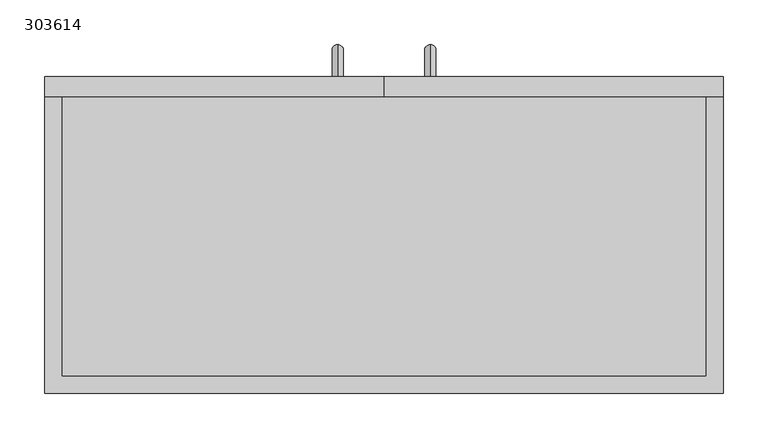
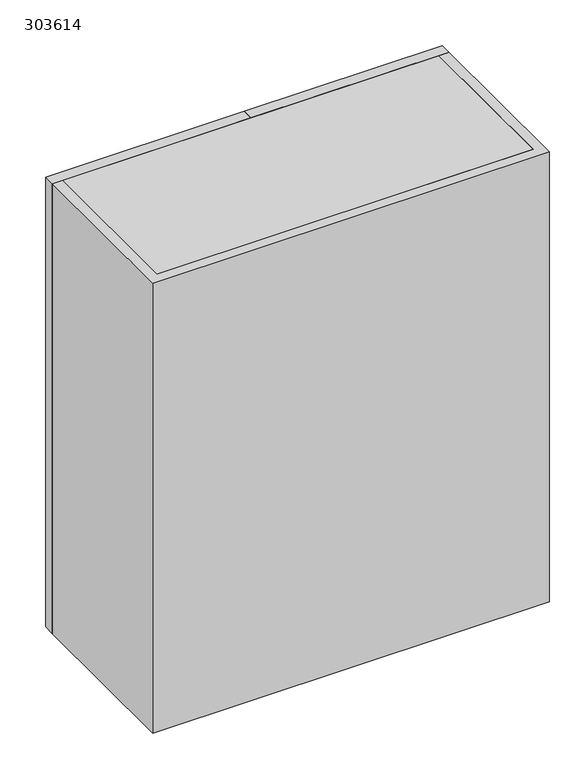
"""IFC4 building model written with IfcOpenShell, lengths in millimetres: furniture geometry, 303614."""

from ifc_helpers import new_model, si_unit, frame, origin, place, context, project, spatial, polyline, circle_curve, ellipse_curve, outline, extrude, source, transform, mapped, element, save
from ifc_brep_helpers import plane_surface, cylinder_surface, advanced_brep


def furniture_303614_3b5914ed(model_context):
    return source(origin(), model_context, "Body", "SolidModel", [
        extrude(outline(polyline([(381.0, 397.1), (0.0, 397.1), (0.0, 419.1), (381.0, 419.1), (381.0, 397.1)])), frame((0.0, 0.0, 1219.2), z_axis=(0.0, 0.0, 1.0), x_axis=(1.0, 0.0, 0.0)), (0.0, 0.0, 1.0), 914.4),
        extrude(outline(polyline([(0.0, 397.1), (-381.0, 397.1), (-381.0, 419.1), (0.0, 419.1), (0.0, 397.1)])), frame((0.0, 0.0, 1219.2), z_axis=(0.0, 0.0, 1.0), x_axis=(1.0, 0.0, 0.0)), (0.0, 0.0, 1.0), 914.4),
        extrude(outline(polyline([(361.8, 397.1), (381.0, 397.1), (381.0, 63.5), (-381.0, 63.5), (-381.0, 397.1), (-361.8, 397.1), (-361.8, 82.7), (361.8, 82.7), (361.8, 397.1)])), frame((0.0, 0.0, 1219.2), z_axis=(0.0, 0.0, 1.0), x_axis=(1.0, 0.0, 0.0)), (0.0, 0.0, 1.0), 914.4),
        extrude(outline(polyline([(361.8, 82.7), (-361.8, 82.7), (-361.8, 397.1), (361.8, 397.1), (361.8, 82.7)])), frame((0.0, 0.0, 1816.2666667), z_axis=(0.0, 0.0, 1.0), x_axis=(1.0, 0.0, 0.0)), (0.0, 0.0, 1.0), 19.2),
        extrude(outline(polyline([(361.8, 82.7), (-361.8, 82.7), (-361.8, 397.1), (361.8, 397.1), (361.8, 82.7)])), frame((0.0, 0.0, 1518.1333333), z_axis=(0.0, 0.0, 1.0), x_axis=(1.0, 0.0, 0.0)), (0.0, 0.0, 1.0), 19.2),
        advanced_brep(
        [(-52.0, 419.1, 1337.55), (-52.0, 419.1, 1324.85), (-52.0, 442.75, 1337.55), (-52.0, 455.45, 1324.85), (-52.0, 442.75, 1452.85), (-52.0, 455.45, 1465.55), (-52.0, 419.1, 1452.85), (-52.0, 419.1, 1465.55)],
        [
            (0, 1, circle_curve(frame((-52.0, 419.1, 1331.2), z_axis=(0.0, -1.0, 0.0), x_axis=(0.0, 0.0, -1.0)), 6.35)),
            (1, 0, circle_curve(frame((-52.0, 419.1, 1331.2), z_axis=(0.0, -1.0, 0.0), x_axis=(0.0, 0.0, -1.0)), 6.35)),
            (0, 2),
            (2, 3, ellipse_curve(frame((-52.0, 449.1, 1331.2), z_axis=(0.0, -0.7071067811865475, -0.7071067811865475), x_axis=(0.0, -0.7071067811865476, 0.7071067811865474)), 8.9802561, 6.35)),
            (3, 1),
            (3, 2, ellipse_curve(frame((-52.0, 449.1, 1331.2), z_axis=(0.0, -0.7071067811865475, -0.7071067811865475), x_axis=(0.0, -0.7071067811865476, 0.7071067811865474)), 8.9802561, 6.35)),
            (2, 4),
            (4, 5, ellipse_curve(frame((-52.0, 449.1, 1459.2), z_axis=(0.0, 0.7071067811865475, -0.7071067811865475), x_axis=(0.0, -0.7071067811865474, -0.7071067811865476)), 8.9802561, 6.35)),
            (5, 3),
            (5, 4, ellipse_curve(frame((-52.0, 449.1, 1459.2), z_axis=(0.0, 0.7071067811865475, -0.7071067811865475), x_axis=(0.0, -0.7071067811865474, -0.7071067811865476)), 8.9802561, 6.35)),
            (6, 7, circle_curve(frame((-52.0, 419.1, 1459.2), z_axis=(0.0, -1.0, 0.0), x_axis=(0.0, 0.0, 1.0)), 6.35)),
            (7, 6, circle_curve(frame((-52.0, 419.1, 1459.2), z_axis=(0.0, -1.0, 0.0), x_axis=(0.0, 0.0, 1.0)), 6.35)),
            (4, 6),
            (7, 5),
        ],
        [
            plane_surface(frame((-52.0, 419.1, 1331.2), z_axis=(0.0, -1.0, 0.0), x_axis=(-1.0, 0.0, 0.0))),
            cylinder_surface(frame((-52.0, 419.1, 1331.2), z_axis=(0.0, -1.0, 0.0), x_axis=(0.0, 0.0, -1.0)), 6.35),
            cylinder_surface(frame((-52.0, 449.1, 1331.2), z_axis=(0.0, 0.0, -1.0), x_axis=(0.0, 1.0, 0.0)), 6.35),
            plane_surface(frame((-52.0, 419.1, 1459.2), z_axis=(0.0, -1.0, 0.0), x_axis=(-1.0, 0.0, 0.0))),
            cylinder_surface(frame((-52.0, 449.1, 1459.2), z_axis=(0.0, 1.0, 0.0), x_axis=(0.0, 0.0, 1.0)), 6.35),
        ],
        [
            (0, [[1, 2]]),
            (1, [[-1, 3, 4, 5]]),
            (1, [[-2, -5, 6, -3]]),
            (2, [[-4, 7, 8, 9]]),
            (2, [[-6, -9, 10, -7]]),
            (3, [[11, 12]]),
            (4, [[-8, 13, -12, 14]]),
            (4, [[-10, -14, -11, -13]]),
        ],
    ),
        advanced_brep(
        [(52.0, 419.1, 1337.55), (52.0, 419.1, 1324.85), (52.0, 442.75, 1337.55), (52.0, 455.45, 1324.85), (52.0, 442.75, 1452.85), (52.0, 455.45, 1465.55), (52.0, 419.1, 1452.85), (52.0, 419.1, 1465.55)],
        [
            (0, 1, circle_curve(frame((52.0, 419.1, 1331.2), z_axis=(0.0, -1.0, 0.0), x_axis=(0.0, 0.0, -1.0)), 6.35)),
            (1, 0, circle_curve(frame((52.0, 419.1, 1331.2), z_axis=(0.0, -1.0, 0.0), x_axis=(0.0, 0.0, -1.0)), 6.35)),
            (0, 2),
            (2, 3, ellipse_curve(frame((52.0, 449.1, 1331.2), z_axis=(0.0, -0.7071067811865475, -0.7071067811865475), x_axis=(0.0, -0.7071067811865476, 0.7071067811865474)), 8.9802561, 6.35)),
            (3, 1),
            (3, 2, ellipse_curve(frame((52.0, 449.1, 1331.2), z_axis=(0.0, -0.7071067811865475, -0.7071067811865475), x_axis=(0.0, -0.7071067811865476, 0.7071067811865474)), 8.9802561, 6.35)),
            (2, 4),
            (4, 5, ellipse_curve(frame((52.0, 449.1, 1459.2), z_axis=(0.0, 0.7071067811865475, -0.7071067811865475), x_axis=(0.0, -0.7071067811865474, -0.7071067811865476)), 8.9802561, 6.35)),
            (5, 3),
            (5, 4, ellipse_curve(frame((52.0, 449.1, 1459.2), z_axis=(0.0, 0.7071067811865475, -0.7071067811865475), x_axis=(0.0, -0.7071067811865474, -0.7071067811865476)), 8.9802561, 6.35)),
            (6, 7, circle_curve(frame((52.0, 419.1, 1459.2), z_axis=(0.0, -1.0, 0.0), x_axis=(0.0, 0.0, 1.0)), 6.35)),
            (7, 6, circle_curve(frame((52.0, 419.1, 1459.2), z_axis=(0.0, -1.0, 0.0), x_axis=(0.0, 0.0, 1.0)), 6.35)),
            (4, 6),
            (7, 5),
        ],
        [
            plane_surface(frame((52.0, 419.1, 1331.2), z_axis=(0.0, -1.0, 0.0), x_axis=(-1.0, 0.0, 0.0))),
            cylinder_surface(frame((52.0, 419.1, 1331.2), z_axis=(0.0, -1.0, 0.0), x_axis=(0.0, 0.0, -1.0)), 6.35),
            cylinder_surface(frame((52.0, 449.1, 1331.2), z_axis=(0.0, 0.0, -1.0), x_axis=(0.0, 1.0, 0.0)), 6.35),
            plane_surface(frame((52.0, 419.1, 1459.2), z_axis=(0.0, -1.0, 0.0), x_axis=(-1.0, 0.0, 0.0))),
            cylinder_surface(frame((52.0, 449.1, 1459.2), z_axis=(0.0, 1.0, 0.0), x_axis=(0.0, 0.0, 1.0)), 6.35),
        ],
        [
            (0, [[1, 2]]),
            (1, [[-1, 3, 4, 5]]),
            (1, [[-2, -5, 6, -3]]),
            (2, [[-4, 7, 8, 9]]),
            (2, [[-6, -9, 10, -7]]),
            (3, [[11, 12]]),
            (4, [[-8, 13, -12, 14]]),
            (4, [[-10, -14, -11, -13]]),
        ],
    ),
        extrude(outline(polyline([(361.8, 397.1), (361.8, 82.7), (-361.8, 82.7), (-361.8, 397.1), (361.8, 397.1)])), frame((0.0, 0.0, 2111.6), z_axis=(0.0, 0.0, 1.0), x_axis=(1.0, 0.0, 0.0)), (0.0, 0.0, 1.0), 22.0),
        extrude(outline(polyline([(361.8, 397.1), (361.8, 82.7), (-361.8, 82.7), (-361.8, 397.1), (361.8, 397.1)])), frame((0.0, 0.0, 1219.2), z_axis=(0.0, 0.0, 1.0), x_axis=(1.0, 0.0, 0.0)), (0.0, 0.0, 1.0), 20.0),
    ])


if __name__ == "__main__":
    model = new_model("IFC4")
    model_context = context("Model", 3, world=origin())
    ifc_project = project(units=[si_unit("LENGTHUNIT", "METRE", prefix="MILLI")], contexts=[model_context])
    site = spatial("IfcSite", under=ifc_project)
    building = spatial("IfcBuilding", under=site)
    placement = place(None, origin())
    furniture_303614_shape = furniture_303614_3b5914ed(model_context)
    element("IfcFurniture", 1, ObjectType="303614", at=placement, inside=building, context=model_context, shape_type="MappedRepresentation", body=[
        mapped(furniture_303614_shape, transform((0.0, 0.0, 0.0), x_axis=(1.0, 0.0, 0.0), y_axis=(0.0, 1.0, 0.0), z_axis=(0.0, 0.0, 1.0))),
    ])
    save(model, "model.ifc")
